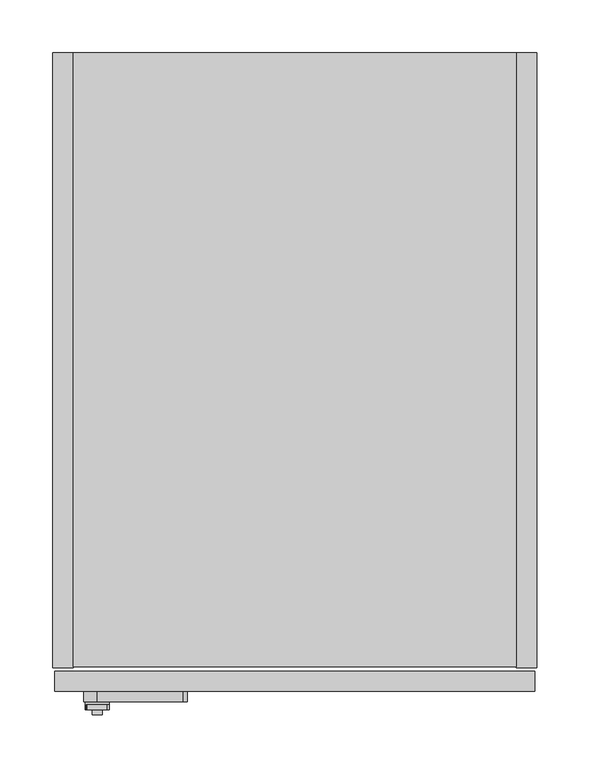
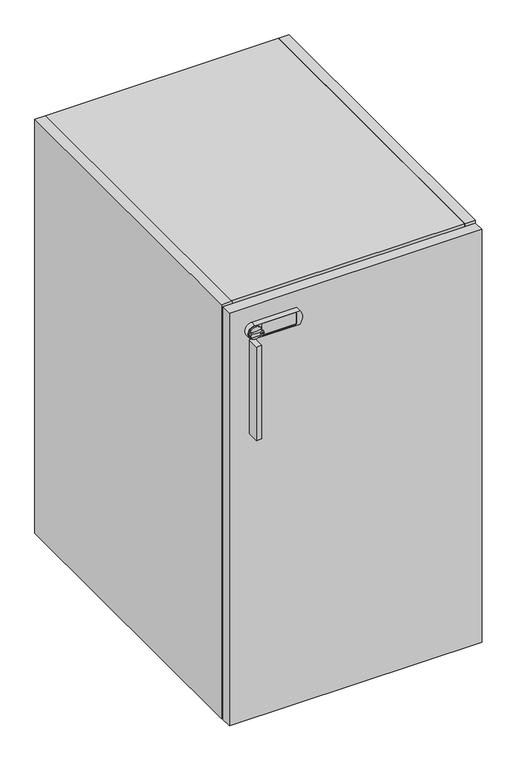
"""IFC4 building model written with IfcOpenShell, lengths in millimetres: furniture geometry."""

from ifc_helpers import new_model, si_unit, frame, origin, place, context, project, spatial, polyline, circle_curve, outline, extrude, source, transform, mapped, element, save
from ifc_brep_helpers import plane_surface, cylinder_surface, revolved_surface, advanced_brep


def furniture_12326839(model_context):
    return source(origin(), model_context, "Body", "SolidModel", [
        advanced_brep(
        [(53.4735484, -621.03, 841.375), (53.0853161, -621.03, 844.328687), (51.3283969, -621.03, 845.2419664), (32.1953499, -621.03, 845.2721155), (31.0017808, -621.03, 844.328687), (30.6135484, -621.03, 841.375), (31.0017808, -621.03, 838.421313), (32.1953499, -621.03, 837.4778845), (51.3283969, -621.03, 837.5080336), (53.0853161, -621.03, 838.421313), (51.4561878, -621.03, 842.137), (51.4561878, -621.03, 840.613), (48.1656263, -621.03, 840.613), (48.1656263, -621.03, 842.137), (53.4735484, -613.41, 841.375), (30.6135484, -613.41, 841.375), (53.0853161, -615.5824403, 838.421313), (31.0017808, -615.5824403, 838.421313), (31.0017808, -615.5824403, 844.328687), (53.0853161, -615.5824403, 844.328687), (32.1953499, -615.5824403, 845.2721155), (51.3283969, -615.5824403, 845.2419664), (32.1953499, -615.5824403, 837.4778845), (51.3283969, -615.5824403, 837.5080336), (48.1656263, -619.8058699, 842.137), (48.1656263, -619.8058699, 840.613), (51.4561878, -619.8058699, 840.613), (51.4561878, -619.8058699, 842.137)],
        [
            (0, 1, circle_curve(frame((42.0435484, -621.03, 841.375), z_axis=(0.0, -1.0, 0.0), x_axis=(-1.0, 0.0, 0.0)), 11.43)),
            (1, 2, circle_curve(frame((51.6886665, -621.03, 843.78846), z_axis=(0.0, -1.0, 0.0), x_axis=(-1.0, 0.0, 0.0)), 1.4974896)),
            (2, 3, circle_curve(frame((41.8222836, -621.03, 883.5943424), z_axis=(0.0, 1.0, 0.0), x_axis=(-1.0, 0.0, 0.0)), 39.512921)),
            (3, 4, circle_curve(frame((32.3984303, -621.03, 843.78846), z_axis=(0.0, -1.0, 0.0), x_axis=(-1.0, 0.0, 0.0)), 1.4974896)),
            (4, 5, circle_curve(frame((42.0435484, -621.03, 841.375), z_axis=(0.0, -1.0, 0.0), x_axis=(-1.0, 0.0, 0.0)), 11.43)),
            (5, 6, circle_curve(frame((42.0435484, -621.03, 841.375), z_axis=(0.0, -1.0, 0.0), x_axis=(-1.0, 0.0, 0.0)), 11.43)),
            (6, 7, circle_curve(frame((32.3984303, -621.03, 838.96154), z_axis=(0.0, -1.0, 0.0), x_axis=(-1.0, 0.0, 0.0)), 1.4974896)),
            (7, 8, circle_curve(frame((41.8222836, -621.03, 799.1556576), z_axis=(0.0, 1.0, 0.0), x_axis=(-1.0, 0.0, 0.0)), 39.512921)),
            (8, 9, circle_curve(frame((51.6886665, -621.03, 838.96154), z_axis=(0.0, -1.0, 0.0), x_axis=(-1.0, 0.0, 0.0)), 1.4974896)),
            (9, 0, circle_curve(frame((42.0435484, -621.03, 841.375), z_axis=(0.0, -1.0, 0.0), x_axis=(-1.0, 0.0, 0.0)), 11.43)),
            (10, 11, circle_curve(frame((51.4561878, -621.03, 841.375), z_axis=(0.0, 1.0, 0.0), x_axis=(-1.0, 0.0, 0.0)), 0.762)),
            (11, 12),
            (12, 13, circle_curve(frame((48.1656263, -621.03, 841.375), z_axis=(0.0, 1.0, 0.0), x_axis=(1.0, 0.0, 0.0)), 0.762)),
            (13, 10),
            (14, 15, circle_curve(frame((42.0435484, -613.41, 841.375), z_axis=(0.0, 1.0, 0.0), x_axis=(-1.0, 0.0, 0.0)), 11.43)),
            (15, 14, circle_curve(frame((42.0435484, -613.41, 841.375), z_axis=(0.0, 1.0, 0.0), x_axis=(-1.0, 0.0, 0.0)), 11.43)),
            (14, 0),
            (9, 16),
            (16, 17, circle_curve(frame((42.0435484, -615.5824403, 841.375), z_axis=(0.0, 1.0, 0.0), x_axis=(-1.0, 0.0, 0.0)), 11.43)),
            (17, 6),
            (5, 15),
            (4, 18),
            (18, 19, circle_curve(frame((42.0435484, -615.5824403, 841.375), z_axis=(0.0, 1.0, 0.0), x_axis=(-1.0, 0.0, 0.0)), 11.43)),
            (19, 1),
            (20, 21, circle_curve(frame((41.8222836, -615.5824403, 883.5943424), z_axis=(0.0, -1.0, 0.0), x_axis=(-1.0, 0.0, 0.0)), 39.512921)),
            (21, 19, circle_curve(frame((51.6886665, -615.5824403, 843.78846), z_axis=(0.0, 1.0, 0.0), x_axis=(-1.0, 0.0, 0.0)), 1.4974896)),
            (18, 20, circle_curve(frame((32.3984303, -615.5824403, 843.78846), z_axis=(0.0, 1.0, 0.0), x_axis=(-1.0, 0.0, 0.0)), 1.4974896)),
            (22, 17, circle_curve(frame((32.3984303, -615.5824403, 838.96154), z_axis=(0.0, 1.0, 0.0), x_axis=(-1.0, 0.0, 0.0)), 1.4974896)),
            (16, 23, circle_curve(frame((51.6886665, -615.5824403, 838.96154), z_axis=(0.0, 1.0, 0.0), x_axis=(-1.0, 0.0, 0.0)), 1.4974896)),
            (23, 22, circle_curve(frame((41.8222836, -615.5824403, 799.1556576), z_axis=(0.0, -1.0, 0.0), x_axis=(-1.0, 0.0, 0.0)), 39.512921)),
            (3, 20),
            (21, 2),
            (23, 8),
            (7, 22),
            (24, 25, circle_curve(frame((48.1656263, -619.8058699, 841.375), z_axis=(0.0, -1.0, 0.0), x_axis=(1.0, 0.0, 0.0)), 0.762)),
            (25, 26),
            (26, 27, circle_curve(frame((51.4561878, -619.8058699, 841.375), z_axis=(0.0, -1.0, 0.0), x_axis=(-1.0, 0.0, 0.0)), 0.762)),
            (27, 24),
            (27, 10),
            (13, 24),
            (26, 11),
            (25, 12),
        ],
        [
            plane_surface(frame((30.6135484, -621.03, 841.375), z_axis=(0.0, -1.0, 0.0), x_axis=(0.0, 0.0, 1.0))),
            plane_surface(frame((30.6135484, -613.41, 841.375), z_axis=(0.0, 1.0, 0.0), x_axis=(0.0, 0.0, -1.0))),
            cylinder_surface(frame((42.0435484, -613.41, 841.375), z_axis=(0.0, -1.0, 0.0), x_axis=(-1.0, 0.0, 0.0)), 11.43),
            plane_surface(frame((30.9009407, -615.5824403, 843.78846), z_axis=(0.0, -1.0, 0.0), x_axis=(0.0, 0.0, 1.0))),
            cylinder_surface(frame((32.3984303, -615.5824403, 843.78846), z_axis=(0.0, 1.0, 0.0), x_axis=(-1.0, 0.0, 0.0)), 1.4974896),
            cylinder_surface(frame((51.6886665, -615.5824403, 843.78846), z_axis=(0.0, 1.0, 0.0), x_axis=(-1.0, 0.0, 0.0)), 1.4974896),
            revolved_surface(polyline([(2.3093626, -621.03, 883.5943424), (2.3093626, -615.5824403, 883.5943424)]), (41.8222836, -615.5824403, 883.5943424), (0.0, -1.0, 0.0)),
            revolved_surface(polyline([(2.3093626, -621.03, 799.1556576), (2.3093626, -615.5824403, 799.1556576)]), (41.8222836, -603.504, 799.1556576), (0.0, -1.0, 0.0)),
            cylinder_surface(frame((51.6886665, -603.504, 838.96154), z_axis=(0.0, 1.0, 0.0), x_axis=(-1.0, 0.0, 0.0)), 1.4974896),
            cylinder_surface(frame((32.3984303, -603.504, 838.96154), z_axis=(0.0, 1.0, 0.0), x_axis=(-1.0, 0.0, 0.0)), 1.4974896),
            plane_surface(frame((127.2498451, -619.8058699, 842.137), z_axis=(0.0, -1.0, 0.0), x_axis=(-1.0, 0.0, 0.0))),
            plane_surface(frame((48.1656263, -621.03, 842.137), z_axis=(0.0, 0.0, -1.0), x_axis=(0.0, 1.0, 0.0))),
            revolved_surface(polyline([(50.6941878, -621.03, 841.375), (50.6941878, -619.8058699, 841.375)]), (51.4561878, -619.8058699, 841.375), (0.0, -1.0, 0.0)),
            plane_surface(frame((51.4561878, -621.03, 840.613), z_axis=(0.0, 0.0, 1.0), x_axis=(0.0, 1.0, 0.0))),
            revolved_surface(polyline([(48.9276263, -621.03, 841.375), (48.9276263, -619.8058699, 841.375)]), (48.1656263, -619.8058699, 841.375), (0.0, -1.0, 0.0)),
        ],
        [
            (0, [[1, 2, 3, 4, 5, 6, 7, 8, 9, 10], [11, 12, 13, 14]]),
            (1, [[15, 16]]),
            (2, [[17, -10, 18, 19, 20, -6, 21, -15]]),
            (2, [[-21, -5, 22, 23, 24, -1, -17, -16]]),
            (3, [[25, 26, -23, 27]]),
            (3, [[28, -19, 29, 30]]),
            (4, [[-22, -4, 31, -27]]),
            (5, [[32, -2, -24, -26]]),
            (6, [[-31, -3, -32, -25]]),
            (7, [[33, -8, 34, -30]]),
            (8, [[-18, -9, -33, -29]]),
            (9, [[-34, -7, -20, -28]]),
            (10, [[35, 36, 37, 38]]),
            (11, [[39, -14, 40, -38]]),
            (12, [[41, -11, -39, -37]]),
            (13, [[42, -12, -41, -36]]),
            (14, [[-40, -13, -42, -35]]),
        ],
    ),
        advanced_brep(
        [(122.6005718, -613.41, 854.075), (41.91, -613.41, 854.075), (41.91, -613.41, 828.675), (122.6005718, -613.41, 828.675), (57.2041734, -613.41, 829.945), (54.6641734, -613.41, 832.485), (54.6641734, -613.41, 850.265), (57.2041734, -613.41, 852.805), (113.8197259, -613.41, 852.805), (116.3597259, -613.41, 850.265), (116.3597259, -613.41, 832.485), (113.8197259, -613.41, 829.945), (122.6005718, -603.504, 854.075), (122.6005718, -603.504, 828.675), (41.91, -603.504, 828.675), (41.91, -603.504, 854.075), (116.3597259, -611.9032162, 832.485), (116.3597259, -611.9032162, 850.265), (113.8197259, -611.9032162, 852.805), (57.2041734, -611.9032162, 852.805), (54.6641734, -611.9032162, 850.265), (54.6641734, -611.9032162, 832.485), (57.2041734, -611.9032162, 829.945), (113.8197259, -611.9032162, 829.945)],
        [
            (0, 1),
            (1, 2, circle_curve(frame((41.91, -613.41, 841.375), z_axis=(0.0, -1.0, 0.0), x_axis=(-1.0, 0.0, 0.0)), 12.7)),
            (2, 3),
            (3, 0, circle_curve(frame((107.579487, -613.41, 841.375), z_axis=(0.0, -1.0, 0.0), x_axis=(-1.0, 0.0, 0.0)), 19.6703582)),
            (4, 5, circle_curve(frame((57.2041734, -613.41, 832.485), z_axis=(0.0, 1.0, 0.0), x_axis=(-1.0, 0.0, 0.0)), 2.54)),
            (5, 6),
            (6, 7, circle_curve(frame((57.2041734, -613.41, 850.265), z_axis=(0.0, 1.0, 0.0), x_axis=(-1.0, 0.0, 0.0)), 2.54)),
            (7, 8),
            (8, 9, circle_curve(frame((113.8197259, -613.41, 850.265), z_axis=(0.0, 1.0, 0.0), x_axis=(-1.0, 0.0, 0.0)), 2.54)),
            (9, 10),
            (10, 11, circle_curve(frame((113.8197259, -613.41, 832.485), z_axis=(0.0, 1.0, 0.0), x_axis=(-1.0, 0.0, 0.0)), 2.54)),
            (11, 4),
            (12, 13, circle_curve(frame((107.579487, -603.504, 841.375), z_axis=(0.0, 1.0, 0.0), x_axis=(-1.0, 0.0, 0.0)), 19.6703582)),
            (13, 14),
            (14, 15, circle_curve(frame((41.91, -603.504, 841.375), z_axis=(0.0, 1.0, 0.0), x_axis=(-1.0, 0.0, 0.0)), 12.7)),
            (15, 12),
            (2, 14),
            (13, 3),
            (0, 12),
            (15, 1),
            (16, 17),
            (17, 18, circle_curve(frame((113.8197259, -611.9032162, 850.265), z_axis=(0.0, -1.0, 0.0), x_axis=(-1.0, 0.0, 0.0)), 2.54)),
            (18, 19),
            (19, 20, circle_curve(frame((57.2041734, -611.9032162, 850.265), z_axis=(0.0, -1.0, 0.0), x_axis=(-1.0, 0.0, 0.0)), 2.54)),
            (20, 21),
            (21, 22, circle_curve(frame((57.2041734, -611.9032162, 832.485), z_axis=(0.0, -1.0, 0.0), x_axis=(-1.0, 0.0, 0.0)), 2.54)),
            (22, 23),
            (23, 16, circle_curve(frame((113.8197259, -611.9032162, 832.485), z_axis=(0.0, -1.0, 0.0), x_axis=(-1.0, 0.0, 0.0)), 2.54)),
            (22, 4),
            (11, 23),
            (20, 6),
            (5, 21),
            (18, 8),
            (7, 19),
            (16, 10),
            (9, 17),
        ],
        [
            plane_surface(frame((87.9091288, -613.41, 841.375), z_axis=(0.0, -1.0, 0.0), x_axis=(0.0, 0.0, 1.0))),
            plane_surface(frame((87.9091288, -603.504, 841.375), z_axis=(0.0, 1.0, 0.0), x_axis=(0.0, 0.0, -1.0))),
            plane_surface(frame((122.6005718, -613.41, 828.675), z_axis=(0.0, 0.0, -1.0), x_axis=(0.0, 1.0, 0.0))),
            plane_surface(frame((41.91, -613.41, 854.075), z_axis=(2.794210784065427e-12, 0.0, 1.0), x_axis=(0.0, 1.0, 0.0))),
            plane_surface(frame((111.2797259, -611.9032162, 832.485), z_axis=(0.0, -1.0, 0.0), x_axis=(0.0, 0.0, -1.0))),
            cylinder_surface(frame((41.91, -603.504, 841.375), z_axis=(0.0, -1.0, 0.0), x_axis=(-1.0, 0.0, 0.0)), 12.7),
            plane_surface(frame((113.8197259, -619.8058699, 829.945), z_axis=(-3.0454617528886262e-12, 0.0, 1.0), x_axis=(0.0, 1.0, 0.0))),
            plane_surface(frame((54.6641734, -619.8058699, 832.485), z_axis=(1.0, 0.0, 0.0), x_axis=(0.0, 1.0, 0.0))),
            plane_surface(frame((57.2041734, -619.8058699, 852.805), z_axis=(0.0, 0.0, -1.0), x_axis=(0.0, 1.0, 0.0))),
            plane_surface(frame((116.3597259, -619.8058699, 850.265), z_axis=(-1.0, 0.0, 0.0), x_axis=(0.0, 1.0, 0.0))),
            revolved_surface(polyline([(111.27972589999999, -613.41, 832.485), (111.27972589999999, -611.9032162, 832.485)]), (113.8197259, -611.9032162, 832.485), (0.0, -1.0, 0.0)),
            revolved_surface(polyline([(54.6641734, -613.41, 832.485), (54.6641734, -611.9032162, 832.485)]), (57.2041734, -611.9032162, 832.485), (0.0, -1.0, 0.0)),
            revolved_surface(polyline([(54.6641734, -613.41, 850.265), (54.6641734, -611.9032162, 850.265)]), (57.2041734, -611.9032162, 850.265), (0.0, -1.0, 0.0)),
            revolved_surface(polyline([(111.27972589999999, -613.41, 850.265), (111.27972589999999, -611.9032162, 850.265)]), (113.8197259, -611.9032162, 850.265), (0.0, -1.0, 0.0)),
            cylinder_surface(frame((107.579487, -603.504, 841.375), z_axis=(0.0, -1.0, 0.0), x_axis=(-1.0, 0.0, 0.0)), 19.6703582),
        ],
        [
            (0, [[1, 2, 3, 4], [5, 6, 7, 8, 9, 10, 11, 12]]),
            (1, [[13, 14, 15, 16]]),
            (2, [[17, -14, 18, -3]]),
            (3, [[19, -16, 20, -1]]),
            (4, [[21, 22, 23, 24, 25, 26, 27, 28]]),
            (5, [[-20, -15, -17, -2]]),
            (6, [[29, -12, 30, -27]]),
            (7, [[31, -6, 32, -25]]),
            (8, [[33, -8, 34, -23]]),
            (9, [[35, -10, 36, -21]]),
            (10, [[-30, -11, -35, -28]]),
            (11, [[-32, -5, -29, -26]]),
            (12, [[-34, -7, -31, -24]]),
            (13, [[-36, -9, -33, -22]]),
            (14, [[-18, -13, -19, -4]]),
        ],
    ),
        extrude(outline(polyline([(46.6713631, -625.729), (37.1463631, -625.729), (37.1463631, -603.504), (46.6713631, -603.504), (46.6713631, -625.729)])), frame((0.0, 0.0, 644.525), z_axis=(0.0, 0.0, 1.0), x_axis=(1.0, 0.0, 0.0)), (0.0, 0.0, 1.0), 177.8),
        extrude(outline(polyline([(437.896, 0.0), (437.896, -19.304), (19.304, -19.304), (19.304, 0.0), (437.896, 0.0)])), frame((0.0, 0.0, 120.904), z_axis=(0.0, 0.0, 1.0), x_axis=(1.0, 0.0, 0.0)), (0.0, 0.0, 1.0), 748.792),
        extrude(outline(polyline([(437.896, -580.0344), (19.304, -580.0344), (19.304, 0.0), (437.896, 0.0), (437.896, -580.0344)])), frame((0.0, 0.0, 869.696), z_axis=(0.0, 0.0, 1.0), x_axis=(1.0, 0.0, 0.0)), (0.0, 0.0, 1.0), 19.304),
        extrude(outline(polyline([(19.304, 0.0), (19.304, -581.025), (0.0, -581.025), (0.0, 0.0), (19.304, 0.0)])), frame((0.0, 0.0, 101.6), z_axis=(0.0, 0.0, 1.0), x_axis=(1.0, 0.0, 0.0)), (0.0, 0.0, 1.0), 787.4),
        extrude(outline(polyline([(437.896, 0.0), (457.2, 0.0), (457.2, -581.025), (437.896, -581.025), (437.896, 0.0)])), frame((0.0, 0.0, 101.6), z_axis=(0.0, 0.0, 1.0), x_axis=(1.0, 0.0, 0.0)), (0.0, 0.0, 1.0), 787.4),
        extrude(outline(polyline([(437.896, 0.0), (437.896, -580.0344), (19.304, -580.0344), (19.304, 0.0), (437.896, 0.0)])), frame((0.0, 0.0, 101.6), z_axis=(0.0, 0.0, 1.0), x_axis=(1.0, 0.0, 0.0)), (0.0, 0.0, 1.0), 19.304),
        extrude(outline(polyline([(455.6125, -603.504), (1.5875, -603.504), (1.5875, -584.2), (455.6125, -584.2), (455.6125, -603.504)])), frame((0.0, 0.0, 101.6), z_axis=(0.0, 0.0, 1.0), x_axis=(1.0, 0.0, 0.0)), (0.0, 0.0, 1.0), 784.225),
    ])


if __name__ == "__main__":
    model = new_model("IFC4")
    model_context = context("Model", 3, world=origin())
    ifc_project = project(units=[si_unit("LENGTHUNIT", "METRE", prefix="MILLI")], contexts=[model_context])
    site = spatial("IfcSite", under=ifc_project)
    building = spatial("IfcBuilding", under=site)
    placement = place(None, origin())
    furniture_shape = furniture_12326839(model_context)
    element("IfcFurniture", 1, at=placement, inside=building, context=model_context, shape_type="MappedRepresentation", body=[
        mapped(furniture_shape, transform((0.0, 0.0, 0.0), x_axis=(1.0, 0.0, 0.0), y_axis=(0.0, 1.0, 0.0), z_axis=(0.0, 0.0, 1.0))),
    ])
    save(model, "model.ifc")
